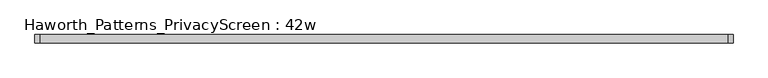
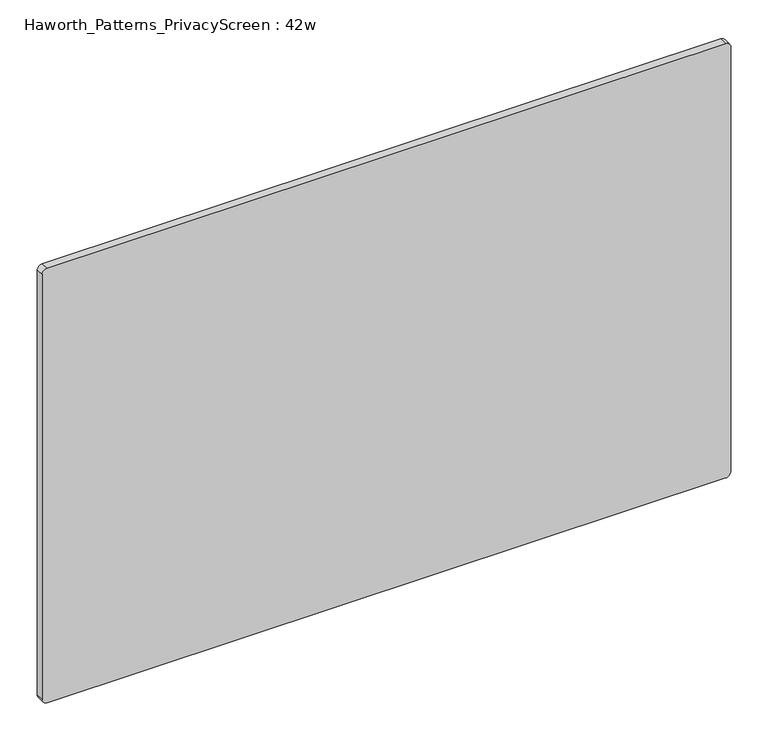
"""IFC4 building model written with IfcOpenShell, lengths in millimetres: furniture geometry, Haworth_Patterns_PrivacyScreen : 42w."""

from ifc_helpers import new_model, si_unit, point, frame, frame_2d, origin, place, context, project, spatial, polyline, circle_curve, trimmed, segment, composite_curve, outline, extrude, source, transform, mapped, element, save


def haworth_patterns_privacyscreen_42w_7397c613(model_context):
    return source(origin(), model_context, "Body", "SweptSolid", [
        extrude(outline(composite_curve([segment(polyline([(990.6, 525.4625), (990.6, -525.4625)]), True, "CONTINUOUS"), segment(trimmed(circle_curve(frame_2d((982.6625, -525.4625)), 7.9375), [point((990.6, -525.4625))], [point((982.6625, -533.4))], False, "CARTESIAN"), True, "CONTINUOUS"), segment(polyline([(982.6625, -533.4), (287.3375, -533.4)]), True, "CONTINUOUS"), segment(trimmed(circle_curve(frame_2d((287.3375, -525.4625)), 7.9375), [point((287.3375, -533.4))], [point((279.4, -525.4625))], False, "CARTESIAN"), True, "CONTINUOUS"), segment(polyline([(279.4, -525.4625), (279.4, 525.4625)]), True, "CONTINUOUS"), segment(trimmed(circle_curve(frame_2d((287.3375, 525.4625)), 7.9375), [point((279.4, 525.4625))], [point((287.3375, 533.4))], False, "CARTESIAN"), True, "CONTINUOUS"), segment(polyline([(287.3375, 533.4), (982.6625, 533.4)]), True, "CONTINUOUS"), segment(trimmed(circle_curve(frame_2d((982.6625, 525.4625)), 7.9375), [point((982.6625, 533.4))], [point((990.6, 525.4625))], False, "CARTESIAN"), True, "CONTINUOUS")], self_intersect=False)), frame((0.0, -6.35, 0.0), z_axis=(0.0, 1.0, 0.0), x_axis=(0.0, 0.0, 1.0)), (0.0, 0.0, 1.0), 12.7),
    ])


if __name__ == "__main__":
    model = new_model("IFC4")
    model_context = context("Model", 3, world=origin())
    ifc_project = project(units=[si_unit("LENGTHUNIT", "METRE", prefix="MILLI")], contexts=[model_context])
    site = spatial("IfcSite", under=ifc_project)
    building = spatial("IfcBuilding", under=site)
    placement = place(None, origin())
    haworth_patterns_privacyscreen_42w_shape = haworth_patterns_privacyscreen_42w_7397c613(model_context)
    element("IfcFurniture", 1, ObjectType="Haworth_Patterns_PrivacyScreen : 42w", at=placement, inside=building, context=model_context, shape_type="MappedRepresentation", body=[
        mapped(haworth_patterns_privacyscreen_42w_shape, transform((0.0, 0.0, 0.0), x_axis=(1.0, 0.0, 0.0), y_axis=(0.0, 1.0, 0.0), z_axis=(0.0, 0.0, 1.0))),
    ])
    save(model, "model.ifc")
